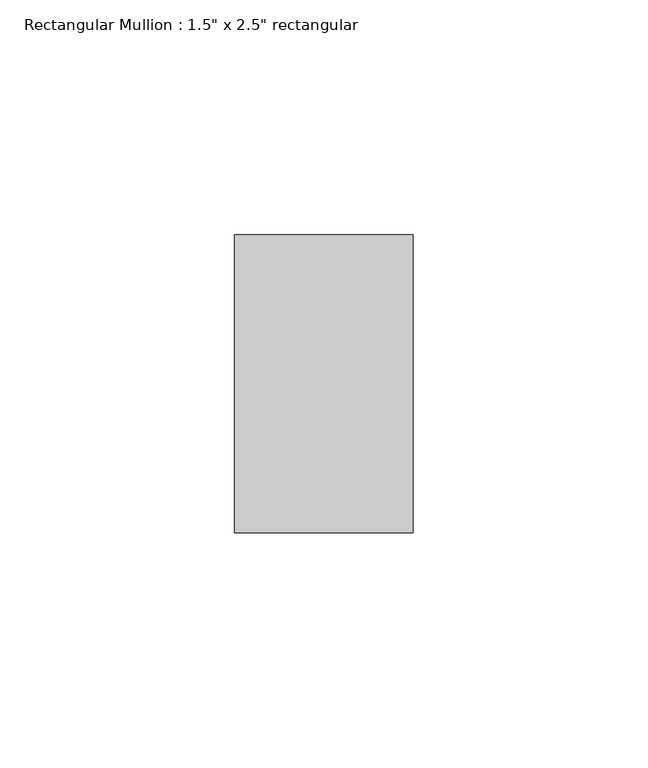
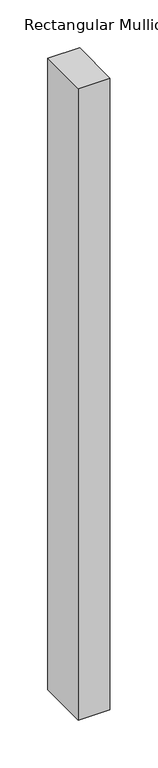
"""IFC4 building model written with IfcOpenShell, lengths in millimetres: member geometry."""

import ifcopenshell
import ifcopenshell.guid

model = None  # the IFC model being written
_history = None  # IfcOwnerHistory: only IFC2X3 demands one
_inside = {}  # id of a spatial element -> (the spatial element, [elements in it])
_under = {}  # id of a project, library or spatial element -> (it, [spatial elements below it])
_declared = {}  # id of a project -> (the project, [libraries it declares])
_typed = {}  # id of a type object -> (the type object, [elements of that type])
_made_of = {}  # id of a material, layer set ... -> (it, [elements and type objects made of it])


def new_model(schema):
    """Start an empty IFC model of exactly this schema.

    Asked for "IFC4X3", IfcOpenShell would pick the latest addendum, in which some entities
    have other attributes; the version numbers below select the first issue.
    IFC2X3 requires an IfcOwnerHistory on every rooted entity: one is made here for all.
    """
    global model, _history
    if schema == "IFC4X3":
        model = ifcopenshell.file(schema_version=(4, 3, 0, 0))
    else:
        model = ifcopenshell.file(schema=schema)
    _inside.clear()
    _under.clear()
    _declared.clear()
    _typed.clear()
    _made_of.clear()
    _history = None
    if model.schema == "IFC2X3":
        org = make("IfcOrganization", Name="unknown")
        user = make(
            "IfcPersonAndOrganization",
            ThePerson=make("IfcPerson", FamilyName="unknown"),
            TheOrganization=org,
        )
        app = make(
            "IfcApplication",
            ApplicationDeveloper=org,
            Version="unknown",
            ApplicationFullName="unknown",
            ApplicationIdentifier="unknown",
        )
        _history = make(
            "IfcOwnerHistory",
            OwningUser=user,
            OwningApplication=app,
            ChangeAction="ADDED",
            CreationDate=0,
        )
    return model


def make(cls, **values):
    """One entity of the class cls with the attributes given. An attribute that is None is left unset."""
    return model.create_entity(
        cls, **{name: value for name, value in values.items() if value is not None}
    )


def rooted(cls, **values):
    """An entity with a GlobalId (a new one), such as an element, a storey or a relation."""
    return make(cls, GlobalId=ifcopenshell.guid.new(), OwnerHistory=_history, **values)


def si_unit(unit_type, name, prefix=None):
    """IfcSIUnit, for example si_unit("LENGTHUNIT", "METRE", prefix="MILLI")."""
    return make("IfcSIUnit", UnitType=unit_type, Prefix=prefix, Name=name)


def assignment(units):
    """IfcUnitAssignment: the units of a project."""
    return None if units is None else make("IfcUnitAssignment", Units=units)


def point(xyz):
    """IfcCartesianPoint."""
    return None if xyz is None else make("IfcCartesianPoint", Coordinates=xyz)


def direction(xyz):
    """IfcDirection."""
    return None if xyz is None else make("IfcDirection", DirectionRatios=xyz)


def frame(location, z_axis=None, x_axis=None):
    """IfcAxis2Placement3D, a coordinate frame: its origin and axes. An axis left out is left unset."""
    return make(
        "IfcAxis2Placement3D",
        Location=point(location),
        Axis=direction(z_axis),
        RefDirection=direction(x_axis),
    )


def origin():
    """The frame at (0, 0, 0) with its axes left unset."""
    return frame((0.0, 0.0, 0.0))


def place(relative_to, where):
    """IfcLocalPlacement: puts the frame where relative to a parent placement (None: the world)."""
    return make(
        "IfcLocalPlacement", PlacementRelTo=relative_to, RelativePlacement=where
    )


def context(
    kind, dimensions, precision=None, world=None, true_north=None, identifier=None
):
    """IfcGeometricRepresentationContext, for example the 3D "Model" context."""
    return make(
        "IfcGeometricRepresentationContext",
        ContextIdentifier=identifier,
        ContextType=kind,
        CoordinateSpaceDimension=dimensions,
        Precision=precision,
        WorldCoordinateSystem=world,
        TrueNorth=true_north,
    )


def project(units=None, contexts=None):
    """IfcProject with its units and contexts."""
    return rooted(
        "IfcProject",
        Name="project",
        RepresentationContexts=contexts,
        UnitsInContext=assignment(units),
    )


def spatial(cls, under=None, at=None, **own):
    """A site, building, storey or space (cls), placed at a placement, below another one or the project."""
    s = rooted(cls, ObjectPlacement=at, **own)
    if under is not None:
        _under.setdefault(under.id(), (under, []))[1].append(s)
    return s


def polyline(points):
    """IfcPolyline through the points."""
    return make("IfcPolyline", Points=[point(p) for p in points])


def outline(outer, holes=None, kind="AREA"):
    """IfcArbitraryClosedProfileDef: a profile drawn as a closed curve; with holes, ...WithVoids."""
    if holes is None:
        return make("IfcArbitraryClosedProfileDef", ProfileType=kind, OuterCurve=outer)
    return make(
        "IfcArbitraryProfileDefWithVoids",
        ProfileType=kind,
        OuterCurve=outer,
        InnerCurves=holes,
    )


def extrude(swept, where, along, depth):
    """IfcExtrudedAreaSolid: the profile swept, set in the frame where, extruded along a direction by depth."""
    return make(
        "IfcExtrudedAreaSolid",
        SweptArea=swept,
        Position=where,
        ExtrudedDirection=direction(along),
        Depth=depth,
    )


def shape(context_of_items, identifier, shape_type, items):
    """IfcShapeRepresentation: the items that make up one representation, for example the "Body"."""
    return make(
        "IfcShapeRepresentation",
        ContextOfItems=context_of_items,
        RepresentationIdentifier=identifier,
        RepresentationType=shape_type,
        Items=items,
    )


def source(mapping_origin, context_of_items, identifier, shape_type, items):
    """IfcRepresentationMap: a shape defined once, which mapped items show again and again."""
    return make(
        "IfcRepresentationMap",
        MappingOrigin=mapping_origin,
        MappedRepresentation=shape(context_of_items, identifier, shape_type, items),
    )


def transform(
    local_origin,
    x_axis=None,
    y_axis=None,
    z_axis=None,
    scale=None,
    scale2=None,
    scale3=None,
    uniform=True,
):
    """IfcCartesianTransformationOperator3D, or its non-uniform kind. x_axis, y_axis, z_axis: its Axis1, 2, 3."""
    if uniform:
        return make(
            "IfcCartesianTransformationOperator3D",
            Axis1=direction(x_axis),
            Axis2=direction(y_axis),
            LocalOrigin=point(local_origin),
            Scale=scale,
            Axis3=direction(z_axis),
        )
    return make(
        "IfcCartesianTransformationOperator3DnonUniform",
        Axis1=direction(x_axis),
        Axis2=direction(y_axis),
        LocalOrigin=point(local_origin),
        Scale=scale,
        Axis3=direction(z_axis),
        Scale2=scale2,
        Scale3=scale3,
    )


def mapped(mapping_source, mapping_target):
    """IfcMappedItem: shows the shape of a source again, moved by a transform."""
    return make(
        "IfcMappedItem", MappingSource=mapping_source, MappingTarget=mapping_target
    )


def made_of(thing, what):
    """Note that an element or type object is made of a material, layer set ...; save() writes the relation."""
    if what is not None:
        _made_of.setdefault(what.id(), (what, []))[1].append(thing)
    return thing


def element(
    cls,
    number,
    at=None,
    inside=None,
    cuts=None,
    type_object=None,
    material=None,
    context=None,
    identifier="Body",
    shape_type=None,
    held_by="IfcProductDefinitionShape",
    body=None,
    shapes=None,
    **own,
):
    """One element of the class cls, such as IfcWall. Its Tag is "e" and its number.

    at: its placement. inside: the storey or other place that contains it. cuts: it is an
    opening in that element (IfcRelVoidsElement). A single representation is given by context,
    identifier, shape_type and body (its items); several are given by shapes. held_by: the class
    of the entity that holds the representations. save() writes the other relations.
    """
    e = rooted(cls, Tag="e%d" % number, ObjectPlacement=at, **own)
    if body is not None:
        shapes = [shape(context, identifier, shape_type, body)]
    if shapes is not None:
        e.Representation = make(held_by, Representations=shapes)
    if inside is not None:
        _inside.setdefault(inside.id(), (inside, []))[1].append(e)
    if cuts is not None:
        rooted(
            "IfcRelVoidsElement", RelatingBuildingElement=cuts, RelatedOpeningElement=e
        )
    if type_object is not None:
        _typed.setdefault(type_object.id(), (type_object, []))[1].append(e)
    return made_of(e, material)


def aggregate(whole, parts):
    """IfcRelAggregates: a whole, such as a stair, and the parts it consists of."""
    return rooted("IfcRelAggregates", RelatingObject=whole, RelatedObjects=parts)


def save(model, path):
    """Write the relations noted so far, then the file.

    IfcRelAggregates (storeys below a building ...), IfcRelContainedInSpatialStructure (elements
    in a storey), IfcRelDefinesByType, IfcRelAssociatesMaterial and IfcRelDeclares: one each for
    every whole, place, type object, material and project.
    """
    for whole, parts in _under.values():
        aggregate(whole, parts)
    for where, things in _inside.values():
        rooted(
            "IfcRelContainedInSpatialStructure",
            RelatedElements=things,
            RelatingStructure=where,
        )
    for kind, things in _typed.values():
        rooted("IfcRelDefinesByType", RelatedObjects=things, RelatingType=kind)
    for what, things in _made_of.values():
        rooted("IfcRelAssociatesMaterial", RelatedObjects=things, RelatingMaterial=what)
    for by, libraries in _declared.values():
        rooted("IfcRelDeclares", RelatingContext=by, RelatedDefinitions=libraries)
    model.write(path)


def member_2dd58702(model_context):
    return source(origin(), model_context, "Body", "SweptSolid", [
        extrude(outline(polyline([(19.05, -19.05), (19.05, -82.55), (-19.05, -82.55), (-19.05, -19.05), (19.05, -19.05)])), frame((0.0, 0.0, -804.4503427), z_axis=(0.0, 0.0, 1.0), x_axis=(1.0, 0.0, 0.0)), (0.0, 0.0, 1.0), 804.4503427),
    ])


if __name__ == "__main__":
    model = new_model("IFC4")
    model_context = context("Model", 3, world=origin())
    ifc_project = project(units=[si_unit("LENGTHUNIT", "METRE", prefix="MILLI")], contexts=[model_context])
    site = spatial("IfcSite", under=ifc_project)
    building = spatial("IfcBuilding", under=site)
    placement = place(None, origin())
    member_shape = member_2dd58702(model_context)
    element("IfcMember", 1, ObjectType="Rectangular Mullion : 1.5\" x 2.5\" rectangular", at=placement, inside=building, context=model_context, shape_type="MappedRepresentation", body=[
        mapped(member_shape, transform((0.0, 0.0, 0.0), x_axis=(1.0, 0.0, 0.0), y_axis=(0.0, 1.0, 0.0), z_axis=(0.0, 0.0, 1.0))),
    ])
    save(model, "model.ifc")
